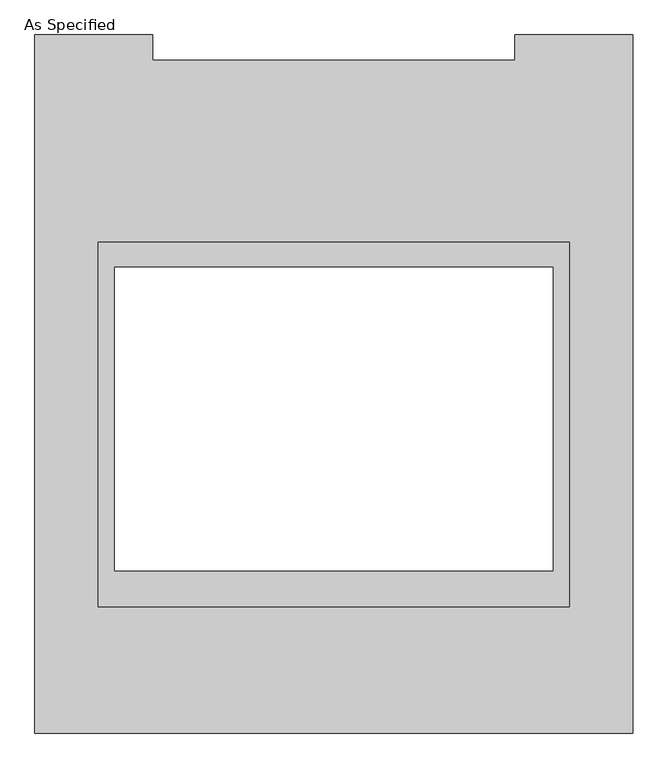
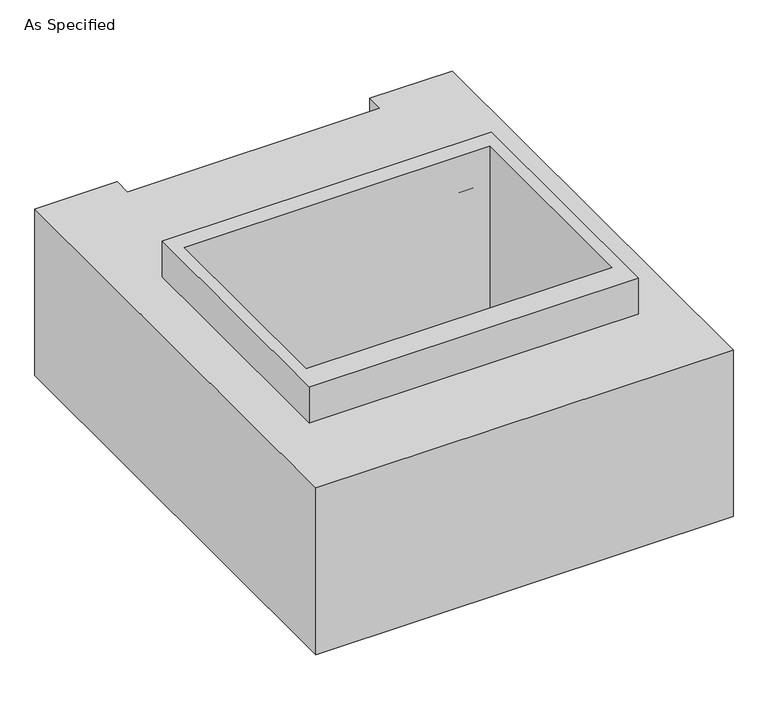
"""IFC4 building model written with IfcOpenShell, lengths in millimetres: proxy geometry, As Specified."""

from ifc_helpers import new_model, si_unit, frame, origin, place, context, project, spatial, polyline, outline, extrude, source, transform, mapped, element, save


def as_specified_c61a37fb(model_context):
    return source(origin(), model_context, "Body", "SweptSolid", [
        extrude(outline(polyline([(711.2, 465.534375), (711.2, -633.015625), (-711.2, -633.015625), (-711.2, 465.534375), (711.2, 465.534375)]), holes=[polyline([(-660.4, 389.3740625), (-660.4, -525.0259375), (660.4, -525.0259375), (660.4, 389.3740625), (-660.4, 389.3740625)])]), frame((0.0, 0.0, -952.5), z_axis=(0.0, 0.0, 1.0), x_axis=(1.0, 0.0, 0.0)), (0.0, 0.0, 1.0), 1092.2),
        extrude(outline(polyline([(-901.7, 1090.374375), (-546.1, 1090.374375), (-546.1, 1014.015625), (546.1, 1014.015625), (546.1, 1090.374375), (901.7, 1090.374375), (901.7, -1014.015625), (-901.7, -1014.015625), (-901.7, 1090.374375)]), holes=[polyline([(660.4, -525.0259375), (660.4, 389.3740625), (-660.4, 389.3740625), (-660.4, -525.0259375), (660.4, -525.0259375)])]), frame((0.0, 0.0, -787.4), z_axis=(0.0, 0.0, 1.0), x_axis=(1.0, 0.0, 0.0)), (0.0, 0.0, 1.0), 762.0),
    ])


if __name__ == "__main__":
    model = new_model("IFC4")
    model_context = context("Model", 3, world=origin())
    ifc_project = project(units=[si_unit("LENGTHUNIT", "METRE", prefix="MILLI")], contexts=[model_context])
    site = spatial("IfcSite", under=ifc_project)
    building = spatial("IfcBuilding", under=site)
    placement = place(None, origin())
    as_specified_shape = as_specified_c61a37fb(model_context)
    element("IfcBuildingElementProxy", 1, Name="As Specified", ObjectType="As Specified", at=placement, inside=building, context=model_context, shape_type="MappedRepresentation", body=[
        mapped(as_specified_shape, transform((0.0, 0.0, 0.0), x_axis=(1.0, 0.0, 0.0), y_axis=(0.0, 1.0, 0.0), z_axis=(0.0, 0.0, 1.0))),
    ])
    save(model, "model.ifc")
